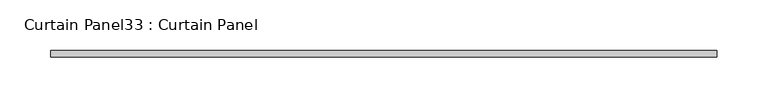
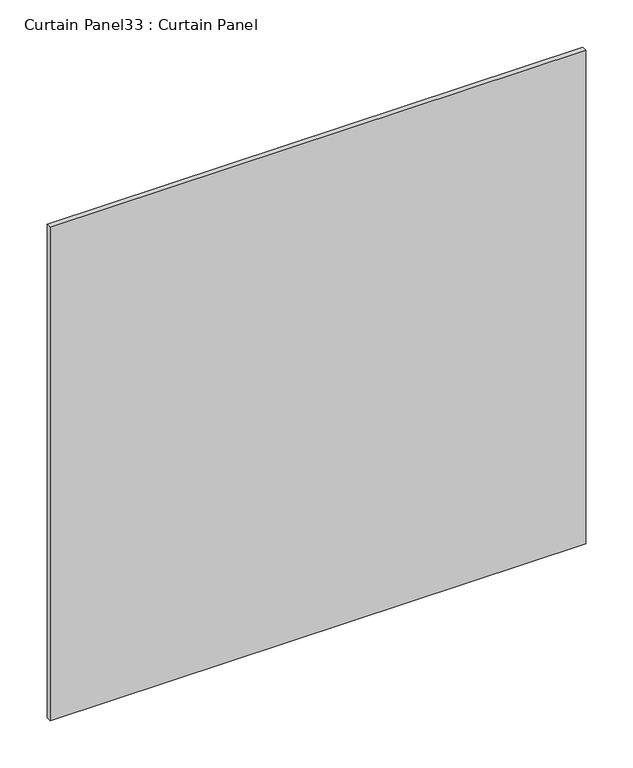
"""IFC4 building model written with IfcOpenShell, lengths in millimetres: plate geometry, Curtain Panel33 : Curtain Panel."""

from ifc_helpers import new_model, si_unit, frame, origin, place, context, project, spatial, polyline, outline, extrude, source, transform, mapped, element, save


def curtain_panel33_curtain_panel_b7d90f2c(model_context):
    return source(origin(), model_context, "Body", "SweptSolid", [
        extrude(outline(polyline([(6123.8745343, 3568.3617926), (5467.0487925, 3568.3617926), (5467.0487925, 3574.7117926), (6123.8745343, 3574.7117926), (6123.8745343, 3568.3617926)])), frame((0.0, 0.0, 1352.1319583), z_axis=(0.0, 0.0, 1.0), x_axis=(1.0, 0.0, 0.0)), (0.0, 0.0, 1.0), 640.0951138),
    ])


if __name__ == "__main__":
    model = new_model("IFC4")
    model_context = context("Model", 3, world=origin())
    ifc_project = project(units=[si_unit("LENGTHUNIT", "METRE", prefix="MILLI")], contexts=[model_context])
    site = spatial("IfcSite", under=ifc_project)
    building = spatial("IfcBuilding", under=site)
    placement = place(None, origin())
    curtain_panel33_curtain_panel_shape = curtain_panel33_curtain_panel_b7d90f2c(model_context)
    element("IfcPlate", 1, ObjectType="Curtain Panel33 : Curtain Panel", at=placement, inside=building, context=model_context, shape_type="MappedRepresentation", body=[
        mapped(curtain_panel33_curtain_panel_shape, transform((0.0, 0.0, 0.0), x_axis=(1.0, 0.0, 0.0), y_axis=(0.0, 1.0, 0.0), z_axis=(0.0, 0.0, 1.0))),
    ])
    save(model, "model.ifc")
